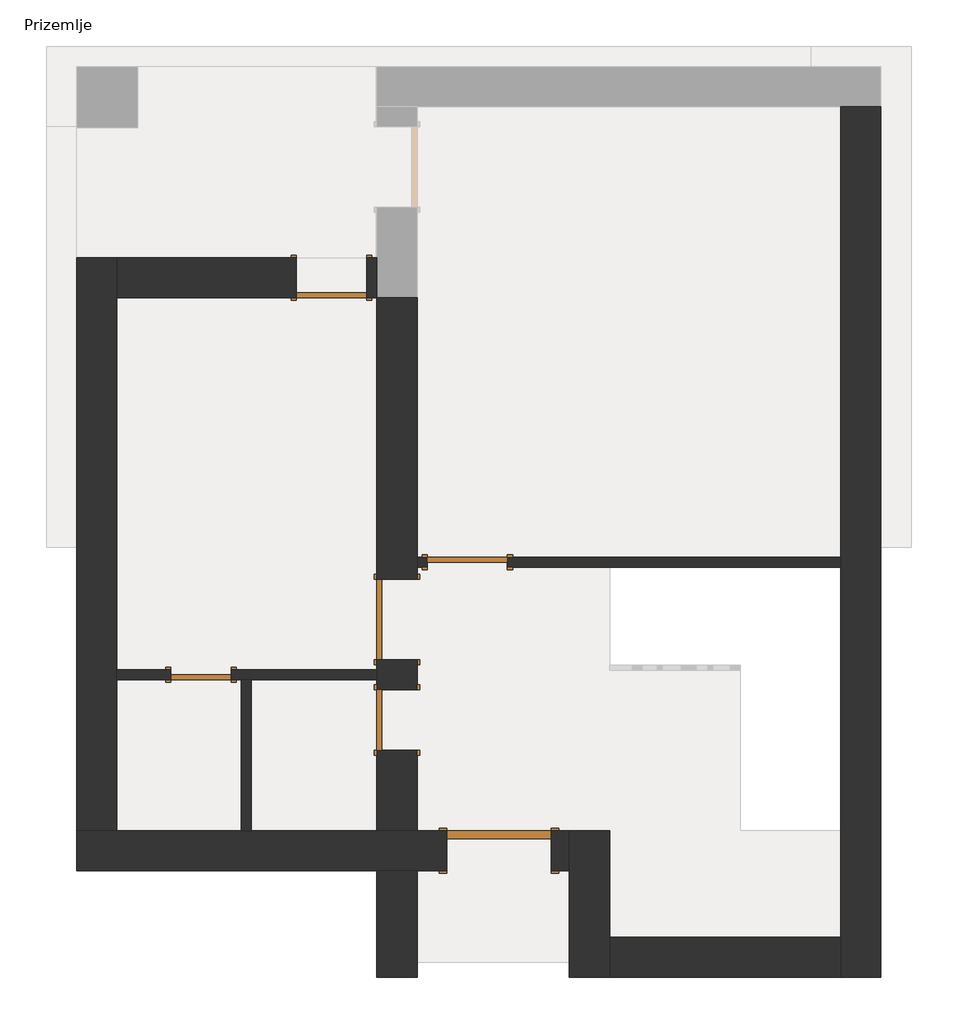
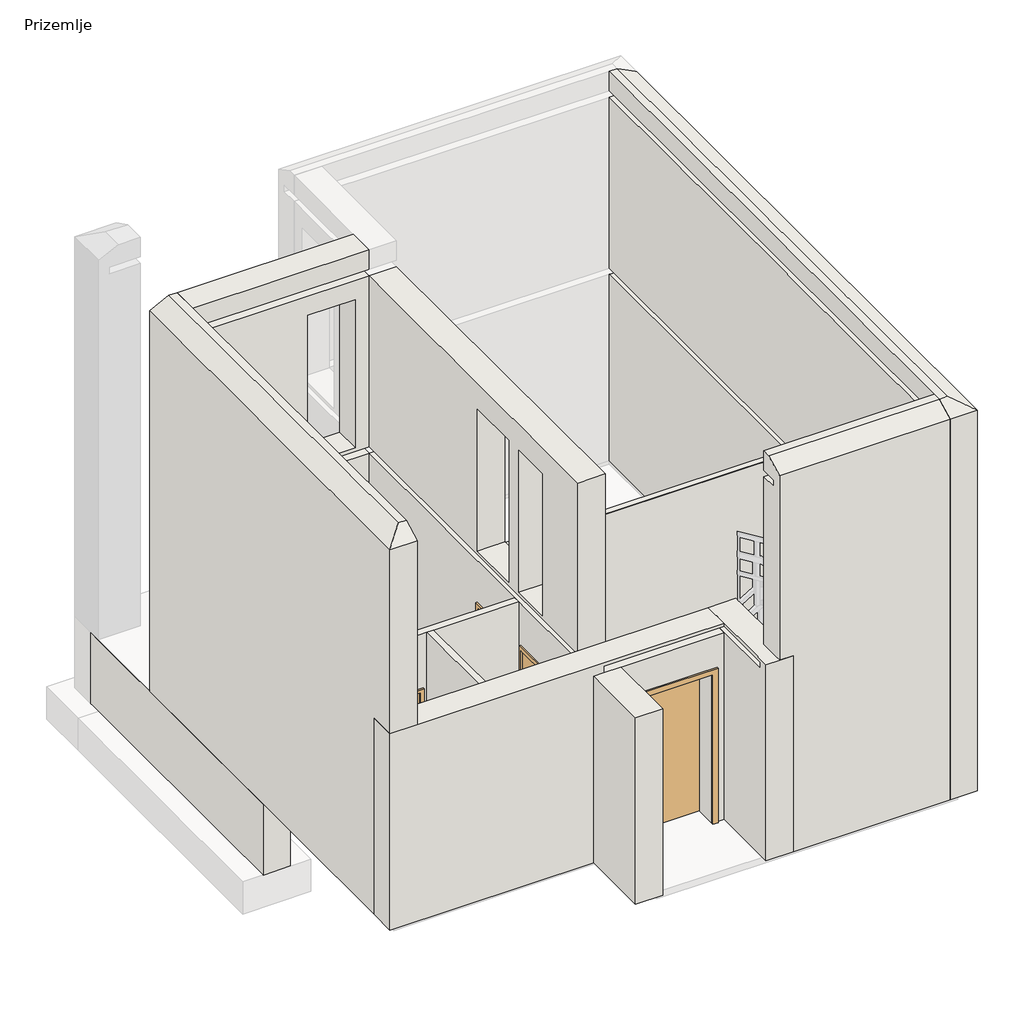
# One storey, part 1 of 2: 14 walls, 6 doors.
"""IFC4 building model written with IfcOpenShell, lengths in millimetres."""

import ifcopenshell
import ifcopenshell.guid

model = None  # the IFC model being written
_history = None  # IfcOwnerHistory: only IFC2X3 demands one
_inside = {}  # id of a spatial element -> (the spatial element, [elements in it])
_under = {}  # id of a project, library or spatial element -> (it, [spatial elements below it])
_declared = {}  # id of a project -> (the project, [libraries it declares])
_typed = {}  # id of a type object -> (the type object, [elements of that type])
_made_of = {}  # id of a material, layer set ... -> (it, [elements and type objects made of it])


def new_model(schema):
    """Start an empty IFC model of exactly this schema.

    Asked for "IFC4X3", IfcOpenShell would pick the latest addendum, in which some entities
    have other attributes; the version numbers below select the first issue.
    IFC2X3 requires an IfcOwnerHistory on every rooted entity: one is made here for all.
    """
    global model, _history
    if schema == "IFC4X3":
        model = ifcopenshell.file(schema_version=(4, 3, 0, 0))
    else:
        model = ifcopenshell.file(schema=schema)
    _inside.clear()
    _under.clear()
    _declared.clear()
    _typed.clear()
    _made_of.clear()
    _history = None
    if model.schema == "IFC2X3":
        org = make("IfcOrganization", Name="unknown")
        user = make(
            "IfcPersonAndOrganization",
            ThePerson=make("IfcPerson", FamilyName="unknown"),
            TheOrganization=org,
        )
        app = make(
            "IfcApplication",
            ApplicationDeveloper=org,
            Version="unknown",
            ApplicationFullName="unknown",
            ApplicationIdentifier="unknown",
        )
        _history = make(
            "IfcOwnerHistory",
            OwningUser=user,
            OwningApplication=app,
            ChangeAction="ADDED",
            CreationDate=0,
        )
    return model


def make(cls, **values):
    """One entity of the class cls with the attributes given. An attribute that is None is left unset."""
    return model.create_entity(
        cls, **{name: value for name, value in values.items() if value is not None}
    )


def rooted(cls, **values):
    """An entity with a GlobalId (a new one), such as an element, a storey or a relation."""
    return make(cls, GlobalId=ifcopenshell.guid.new(), OwnerHistory=_history, **values)


def si_unit(unit_type, name, prefix=None):
    """IfcSIUnit, for example si_unit("LENGTHUNIT", "METRE", prefix="MILLI")."""
    return make("IfcSIUnit", UnitType=unit_type, Prefix=prefix, Name=name)


def assignment(units):
    """IfcUnitAssignment: the units of a project."""
    return None if units is None else make("IfcUnitAssignment", Units=units)


def point(xyz):
    """IfcCartesianPoint."""
    return None if xyz is None else make("IfcCartesianPoint", Coordinates=xyz)


def direction(xyz):
    """IfcDirection."""
    return None if xyz is None else make("IfcDirection", DirectionRatios=xyz)


def frame(location, z_axis=None, x_axis=None):
    """IfcAxis2Placement3D, a coordinate frame: its origin and axes. An axis left out is left unset."""
    return make(
        "IfcAxis2Placement3D",
        Location=point(location),
        Axis=direction(z_axis),
        RefDirection=direction(x_axis),
    )


def origin():
    """The frame at (0, 0, 0) with its axes left unset."""
    return frame((0.0, 0.0, 0.0))


def origin_with_axes():
    """The frame at (0, 0, 0) with the z axis (0, 0, 1) and the x axis (1, 0, 0) written out."""
    return frame((0.0, 0.0, 0.0), z_axis=(0.0, 0.0, 1.0), x_axis=(1.0, 0.0, 0.0))


def place(relative_to, where):
    """IfcLocalPlacement: puts the frame where relative to a parent placement (None: the world)."""
    return make(
        "IfcLocalPlacement", PlacementRelTo=relative_to, RelativePlacement=where
    )


def context(
    kind, dimensions, precision=None, world=None, true_north=None, identifier=None
):
    """IfcGeometricRepresentationContext, for example the 3D "Model" context."""
    return make(
        "IfcGeometricRepresentationContext",
        ContextIdentifier=identifier,
        ContextType=kind,
        CoordinateSpaceDimension=dimensions,
        Precision=precision,
        WorldCoordinateSystem=world,
        TrueNorth=true_north,
    )


def project(units=None, contexts=None):
    """IfcProject with its units and contexts."""
    return rooted(
        "IfcProject",
        Name="project",
        RepresentationContexts=contexts,
        UnitsInContext=assignment(units),
    )


def spatial(cls, under=None, at=None, **own):
    """A site, building, storey or space (cls), placed at a placement, below another one or the project."""
    s = rooted(cls, ObjectPlacement=at, **own)
    if under is not None:
        _under.setdefault(under.id(), (under, []))[1].append(s)
    return s


def polyline(points):
    """IfcPolyline through the points."""
    return make("IfcPolyline", Points=[point(p) for p in points])


def outline(outer, holes=None, kind="AREA"):
    """IfcArbitraryClosedProfileDef: a profile drawn as a closed curve; with holes, ...WithVoids."""
    if holes is None:
        return make("IfcArbitraryClosedProfileDef", ProfileType=kind, OuterCurve=outer)
    return make(
        "IfcArbitraryProfileDefWithVoids",
        ProfileType=kind,
        OuterCurve=outer,
        InnerCurves=holes,
    )


def extrude(swept, where, along, depth):
    """IfcExtrudedAreaSolid: the profile swept, set in the frame where, extruded along a direction by depth."""
    return make(
        "IfcExtrudedAreaSolid",
        SweptArea=swept,
        Position=where,
        ExtrudedDirection=direction(along),
        Depth=depth,
    )


def faces_of(points, faces, orient=None, outer=None):
    """IfcFace entities. A face is a list of loops; a loop is a list of indices into points, from 0.

    orient and outer hold one flag for each loop. By default every Orientation is true, the
    first loop of a face is its IfcFaceOuterBound and the others are IfcFaceBound.
    """
    made = []
    for i, loops in enumerate(faces):
        bounds = []
        for j, loop in enumerate(loops):
            is_outer = j == 0 if outer is None else outer[i][j]
            bounds.append(
                make(
                    "IfcFaceOuterBound" if is_outer else "IfcFaceBound",
                    Bound=make("IfcPolyLoop", Polygon=[points[k] for k in loop]),
                    Orientation=True if orient is None else orient[i][j],
                )
            )
        made.append(make("IfcFace", Bounds=bounds))
    return made


def faceted_brep(points, faces, orient=None, outer=None, voids=None):
    """IfcFacetedBrep: a solid bounded by flat faces; with voids (closed shells), ...WithVoids."""
    shared = [point(p) for p in points]
    hull = make("IfcClosedShell", CfsFaces=faces_of(shared, faces, orient, outer))
    if voids is None:
        return make("IfcFacetedBrep", Outer=hull)
    return make(
        "IfcFacetedBrepWithVoids",
        Outer=hull,
        Voids=[
            make(cls, CfsFaces=faces_of(shared, fs, o, b)) for cls, fs, o, b in voids
        ],
    )


def shape(context_of_items, identifier, shape_type, items):
    """IfcShapeRepresentation: the items that make up one representation, for example the "Body"."""
    return make(
        "IfcShapeRepresentation",
        ContextOfItems=context_of_items,
        RepresentationIdentifier=identifier,
        RepresentationType=shape_type,
        Items=items,
    )


def source(mapping_origin, context_of_items, identifier, shape_type, items):
    """IfcRepresentationMap: a shape defined once, which mapped items show again and again."""
    return make(
        "IfcRepresentationMap",
        MappingOrigin=mapping_origin,
        MappedRepresentation=shape(context_of_items, identifier, shape_type, items),
    )


def transform(
    local_origin,
    x_axis=None,
    y_axis=None,
    z_axis=None,
    scale=None,
    scale2=None,
    scale3=None,
    uniform=True,
):
    """IfcCartesianTransformationOperator3D, or its non-uniform kind. x_axis, y_axis, z_axis: its Axis1, 2, 3."""
    if uniform:
        return make(
            "IfcCartesianTransformationOperator3D",
            Axis1=direction(x_axis),
            Axis2=direction(y_axis),
            LocalOrigin=point(local_origin),
            Scale=scale,
            Axis3=direction(z_axis),
        )
    return make(
        "IfcCartesianTransformationOperator3DnonUniform",
        Axis1=direction(x_axis),
        Axis2=direction(y_axis),
        LocalOrigin=point(local_origin),
        Scale=scale,
        Axis3=direction(z_axis),
        Scale2=scale2,
        Scale3=scale3,
    )


def mapped(mapping_source, mapping_target):
    """IfcMappedItem: shows the shape of a source again, moved by a transform."""
    return make(
        "IfcMappedItem", MappingSource=mapping_source, MappingTarget=mapping_target
    )


def made_of(thing, what):
    """Note that an element or type object is made of a material, layer set ...; save() writes the relation."""
    if what is not None:
        _made_of.setdefault(what.id(), (what, []))[1].append(thing)
    return thing


def element(
    cls,
    number,
    at=None,
    inside=None,
    cuts=None,
    type_object=None,
    material=None,
    context=None,
    identifier="Body",
    shape_type=None,
    held_by="IfcProductDefinitionShape",
    body=None,
    shapes=None,
    **own,
):
    """One element of the class cls, such as IfcWall. Its Tag is "e" and its number.

    at: its placement. inside: the storey or other place that contains it. cuts: it is an
    opening in that element (IfcRelVoidsElement). A single representation is given by context,
    identifier, shape_type and body (its items); several are given by shapes. held_by: the class
    of the entity that holds the representations. save() writes the other relations.
    """
    e = rooted(cls, Tag="e%d" % number, ObjectPlacement=at, **own)
    if body is not None:
        shapes = [shape(context, identifier, shape_type, body)]
    if shapes is not None:
        e.Representation = make(held_by, Representations=shapes)
    if inside is not None:
        _inside.setdefault(inside.id(), (inside, []))[1].append(e)
    if cuts is not None:
        rooted(
            "IfcRelVoidsElement", RelatingBuildingElement=cuts, RelatedOpeningElement=e
        )
    if type_object is not None:
        _typed.setdefault(type_object.id(), (type_object, []))[1].append(e)
    return made_of(e, material)


def aggregate(whole, parts):
    """IfcRelAggregates: a whole, such as a stair, and the parts it consists of."""
    return rooted("IfcRelAggregates", RelatingObject=whole, RelatedObjects=parts)


def save(model, path):
    """Write the relations noted so far, then the file.

    IfcRelAggregates (storeys below a building ...), IfcRelContainedInSpatialStructure (elements
    in a storey), IfcRelDefinesByType, IfcRelAssociatesMaterial and IfcRelDeclares: one each for
    every whole, place, type object, material and project.
    """
    for whole, parts in _under.values():
        aggregate(whole, parts)
    for where, things in _inside.values():
        rooted(
            "IfcRelContainedInSpatialStructure",
            RelatedElements=things,
            RelatingStructure=where,
        )
    for kind, things in _typed.values():
        rooted("IfcRelDefinesByType", RelatedObjects=things, RelatingType=kind)
    for what, things in _made_of.values():
        rooted("IfcRelAssociatesMaterial", RelatedObjects=things, RelatingMaterial=what)
    for by, libraries in _declared.values():
        rooted("IfcRelDeclares", RelatingContext=by, RelatedDefinitions=libraries)
    model.write(path)


def single_flush_100_x_230_1ff8bdef(model_context):
    return source(origin(), model_context, "Body", "SweptSolid", [
        extrude(outline(polyline([(2396.2, -596.2), (0.0, -596.2), (0.0, -520.0), (2320.0, -520.0), (2320.0, 520.0), (0.0, 520.0), (0.0, 596.2), (2396.2, 596.2), (2396.2, -596.2)])), frame((0.0, 200.0, 0.0), z_axis=(0.0, 1.0, 0.0), x_axis=(0.0, 0.0, 1.0)), (0.0, 0.0, 1.0), 25.4),
        extrude(outline(polyline([(2396.2, 596.2), (2396.2, -596.2), (0.0, -596.2), (0.0, -520.0), (2320.0, -520.0), (2320.0, 520.0), (0.0, 520.0), (0.0, 596.2), (2396.2, 596.2)])), frame((0.0, -225.4, 0.0), z_axis=(0.0, 1.0, 0.0), x_axis=(0.0, 0.0, 1.0)), (0.0, 0.0, 1.0), 25.4),
        extrude(outline(polyline([(520.0, 120.0), (-520.0, 120.0), (-520.0, 200.0), (520.0, 200.0), (520.0, 120.0)])), origin_with_axes(), (0.0, 0.0, 1.0), 2320.0),
    ])


def single_flush_60_x_200_d1557d36(model_context):
    return source(origin(), model_context, "Body", "SweptSolid", [
        extrude(outline(polyline([(2050.0, -350.0), (0.0, -350.0), (0.0, -300.0), (2000.0, -300.0), (2000.0, 300.0), (0.0, 300.0), (0.0, 350.0), (2050.0, 350.0), (2050.0, -350.0)])), frame((0.0, -75.4, 0.0), z_axis=(0.0, 1.0, 0.0), x_axis=(0.0, 0.0, 1.0)), (0.0, 0.0, 1.0), 25.4),
        extrude(outline(polyline([(2050.0, 350.0), (2050.0, -350.0), (0.0, -350.0), (0.0, -300.0), (2000.0, -300.0), (2000.0, 300.0), (0.0, 300.0), (0.0, 350.0), (2050.0, 350.0)])), frame((0.0, 50.0, 0.0), z_axis=(0.0, 1.0, 0.0), x_axis=(0.0, 0.0, 1.0)), (0.0, 0.0, 1.0), 25.4),
        extrude(outline(polyline([(300.0, 0.0), (300.0, -50.0), (-300.0, -50.0), (-300.0, 0.0), (300.0, 0.0)])), origin_with_axes(), (0.0, 0.0, 1.0), 2000.0),
    ])


def single_flush_60_x_220_1b958c1b(model_context):
    return source(origin(), model_context, "Body", "SweptSolid", [
        extrude(outline(polyline([(2250.0, -350.0), (0.0, -350.0), (0.0, -300.0), (2200.0, -300.0), (2200.0, 300.0), (0.0, 300.0), (0.0, 350.0), (2250.0, 350.0), (2250.0, -350.0)])), frame((0.0, 200.0, 0.0), z_axis=(0.0, 1.0, 0.0), x_axis=(0.0, 0.0, 1.0)), (0.0, 0.0, 1.0), 25.4),
        extrude(outline(polyline([(2250.0, 350.0), (2250.0, -350.0), (0.0, -350.0), (0.0, -300.0), (2200.0, -300.0), (2200.0, 300.0), (0.0, 300.0), (0.0, 350.0), (2250.0, 350.0)])), frame((0.0, -225.4, 0.0), z_axis=(0.0, 1.0, 0.0), x_axis=(0.0, 0.0, 1.0)), (0.0, 0.0, 1.0), 25.4),
        extrude(outline(polyline([(300.0, 150.0), (-300.0, 150.0), (-300.0, 200.0), (300.0, 200.0), (300.0, 150.0)])), origin_with_axes(), (0.0, 0.0, 1.0), 2200.0),
    ])


def single_flush_70_x_230_8ca075d4(model_context):
    return source(origin(), model_context, "Body", "SweptSolid", [
        extrude(outline(polyline([(2350.0, -400.0), (0.0, -400.0), (0.0, -350.0), (2300.0, -350.0), (2300.0, 350.0), (0.0, 350.0), (0.0, 400.0), (2350.0, 400.0), (2350.0, -400.0)])), frame((0.0, -225.4, 0.0), z_axis=(0.0, 1.0, 0.0), x_axis=(0.0, 0.0, 1.0)), (0.0, 0.0, 1.0), 25.4),
        extrude(outline(polyline([(2350.0, 400.0), (2350.0, -400.0), (0.0, -400.0), (0.0, -350.0), (2300.0, -350.0), (2300.0, 350.0), (0.0, 350.0), (0.0, 400.0), (2350.0, 400.0)])), frame((0.0, 200.0, 0.0), z_axis=(0.0, 1.0, 0.0), x_axis=(0.0, 0.0, 1.0)), (0.0, 0.0, 1.0), 25.4),
        extrude(outline(polyline([(350.0, -150.0), (350.0, -200.0), (-350.0, -200.0), (-350.0, -150.0), (350.0, -150.0)])), origin_with_axes(), (0.0, 0.0, 1.0), 2300.0),
    ])


def single_flush_80_x_220_85d69fce(model_context):
    return source(origin(), model_context, "Body", "SweptSolid", [
        extrude(outline(polyline([(2250.0, -450.0), (0.0, -450.0), (0.0, -400.0), (2200.0, -400.0), (2200.0, 400.0), (0.0, 400.0), (0.0, 450.0), (2250.0, 450.0), (2250.0, -450.0)])), frame((0.0, -225.4, 0.0), z_axis=(0.0, 1.0, 0.0), x_axis=(0.0, 0.0, 1.0)), (0.0, 0.0, 1.0), 25.4),
        extrude(outline(polyline([(2250.0, 450.0), (2250.0, -450.0), (0.0, -450.0), (0.0, -400.0), (2200.0, -400.0), (2200.0, 400.0), (0.0, 400.0), (0.0, 450.0), (2250.0, 450.0)])), frame((0.0, 200.0, 0.0), z_axis=(0.0, 1.0, 0.0), x_axis=(0.0, 0.0, 1.0)), (0.0, 0.0, 1.0), 25.4),
        extrude(outline(polyline([(400.0, -150.0), (400.0, -200.0), (-400.0, -200.0), (-400.0, -150.0), (400.0, -150.0)])), origin_with_axes(), (0.0, 0.0, 1.0), 2200.0),
    ])


def single_flush_80_x_220_b4daa720(model_context):
    return source(origin(), model_context, "Body", "SweptSolid", [
        extrude(outline(polyline([(2250.0, -450.0), (0.0, -450.0), (0.0, -400.0), (2200.0, -400.0), (2200.0, 400.0), (0.0, 400.0), (0.0, 450.0), (2250.0, 450.0), (2250.0, -450.0)])), frame((0.0, -75.4, 0.0), z_axis=(0.0, 1.0, 0.0), x_axis=(0.0, 0.0, 1.0)), (0.0, 0.0, 1.0), 25.4),
        extrude(outline(polyline([(2250.0, 450.0), (2250.0, -450.0), (0.0, -450.0), (0.0, -400.0), (2200.0, -400.0), (2200.0, 400.0), (0.0, 400.0), (0.0, 450.0), (2250.0, 450.0)])), frame((0.0, 50.0, 0.0), z_axis=(0.0, 1.0, 0.0), x_axis=(0.0, 0.0, 1.0)), (0.0, 0.0, 1.0), 25.4),
        extrude(outline(polyline([(400.0, 0.0), (400.0, -50.0), (-400.0, -50.0), (-400.0, 0.0), (400.0, 0.0)])), origin_with_axes(), (0.0, 0.0, 1.0), 2200.0),
    ])


model = new_model("IFC4")

# Units and contexts
model_context = context("Model", 3, world=origin())
ifc_project = project(units=[si_unit("LENGTHUNIT", "METRE", prefix="MILLI")], contexts=[model_context])

# Site, building, storey
site = spatial("IfcSite", under=ifc_project)
building = spatial("IfcBuilding", under=site)
storey = spatial("IfcBuildingStorey", under=building, Name="Prizemlje", Elevation=0.0)

# Doors
placement = place(None, origin())
single_flush_100_x_230_shape = single_flush_100_x_230_1ff8bdef(model_context)
element("IfcDoor", 1, ObjectType="Single-Flush : 100 X 230", at=placement, inside=storey, context=model_context, shape_type="MappedRepresentation", body=[
    mapped(single_flush_100_x_230_shape, transform((-11978.5733339, 8098.3783101, 0.0), x_axis=(1.0, 0.0, 0.0), y_axis=(0.0, 1.0, 0.0), z_axis=(0.0, 0.0, 1.0))),
])
single_flush_60_x_200_shape = single_flush_60_x_200_d1557d36(model_context)
element("IfcDoor", 2, ObjectType="Single-Flush : 60 x 200", at=placement, inside=storey, context=model_context, shape_type="MappedRepresentation", body=[
    mapped(single_flush_60_x_200_shape, transform((-14943.5733339, 9848.3783101, 0.0), x_axis=(1.0, 0.0, 0.0), y_axis=(0.0, 1.0, 0.0), z_axis=(0.0, 0.0, 1.0))),
])
single_flush_60_x_220_shape = single_flush_60_x_220_1b958c1b(model_context)
element("IfcDoor", 3, ObjectType="Single-Flush : 60 x 220", at=placement, inside=storey, context=model_context, shape_type="MappedRepresentation", body=[
    mapped(single_flush_60_x_220_shape, transform((-12993.5733339, 9398.3783101, 0.0), x_axis=(0.0, 1.0, 0.0), y_axis=(-1.0, 0.0, 0.0), z_axis=(0.0, 0.0, 1.0))),
])
single_flush_70_x_230_shape = single_flush_70_x_230_8ca075d4(model_context)
element("IfcDoor", 4, ObjectType="Single-Flush : 70 x 230", at=placement, inside=storey, context=model_context, shape_type="MappedRepresentation", body=[
    mapped(single_flush_70_x_230_shape, transform((-13643.5733339, 13798.3783101, 0.0), x_axis=(1.0, 0.0, 0.0), y_axis=(0.0, 1.0, 0.0), z_axis=(0.0, 0.0, 1.0))),
])
single_flush_80_x_220_shape = single_flush_80_x_220_85d69fce(model_context)
element("IfcDoor", 5, ObjectType="Single-Flush : 80 x 220", at=placement, inside=storey, context=model_context, shape_type="MappedRepresentation", body=[
    mapped(single_flush_80_x_220_shape, transform((-12993.5733339, 10398.3783101, 0.0), x_axis=(0.0, -1.0, 0.0), y_axis=(1.0, 0.0, 0.0), z_axis=(0.0, 0.0, 1.0))),
])
single_flush_80_x_220_2_shape = single_flush_80_x_220_b4daa720(model_context)
element("IfcDoor", 6, ObjectType="Single-Flush : 80 x 220", at=placement, inside=storey, context=model_context, shape_type="MappedRepresentation", body=[
    mapped(single_flush_80_x_220_2_shape, transform((-12293.5733339, 10968.3783101, 0.0), x_axis=(-1.0, 0.0, 0.0), y_axis=(0.0, -1.0, 0.0), z_axis=(0.0, 0.0, 1.0))),
])

# Walls
element("IfcWall", 7, at=placement, inside=storey, context=model_context, shape_type="Brep", body=[
    faceted_brep([(-8578.5733339, 15498.3783101, 0.0), (-8578.5733339, 11018.3783101, 0.0), (-8578.5733339, 10918.3783101, 0.0), (-8578.5733339, 7238.3783101, 0.0), (-8578.5733339, 6838.3783101, 0.0), (-8578.5733339, 6838.3783101, 5896.0), (-8578.5733339, 7120.7312513, 6040.0), (-8578.5733339, 7238.3783101, 6040.0), (-8578.5733339, 15498.3783101, 6040.0), (-8578.5733339, 15498.3783101, 5740.0), (-8578.5733339, 7238.3783101, 5740.0), (-8578.5733339, 6988.3783101, 5740.0), (-8578.5733339, 6988.3783101, 5640.0), (-8578.5733339, 7238.3783101, 5640.0), (-8578.5733339, 10918.3783101, 5640.0), (-8578.5733339, 11018.3783101, 5640.0), (-8578.5733339, 15498.3783101, 5640.0), (-8578.5733339, 15498.3783101, 2990.0), (-8578.5733339, 10933.3783101, 2990.0), (-8578.5733339, 10933.3783101, 2890.0), (-8578.5733339, 11018.3783101, 2890.0), (-8578.5733339, 15498.3783101, 2890.0), (-8178.5733339, 6838.3783101, 0.0), (-8178.5733339, 15498.3783101, 0.0), (-8178.5733339, 15498.3783101, 5896.0), (-8178.5733339, 6838.3783101, 5896.0), (-8460.926275, 7120.7312513, 6040.0), (-8460.926275, 15498.3783101, 6040.0), (-8313.5733339, 15498.3783101, 2890.0), (-8313.5733339, 15498.3783101, 2990.0), (-8328.5733339, 15498.3783101, 5640.0), (-8328.5733339, 15498.3783101, 5740.0), (-8313.5733339, 10933.3783101, 2890.0), (-8313.5733339, 10933.3783101, 2990.0), (-8328.5733339, 6988.3783101, 5640.0), (-8328.5733339, 6988.3783101, 5740.0)], [[[0, 1, 2, 3, 4, 5, 6, 7, 8, 9, 10, 11, 12, 13, 14, 15, 16, 17, 18, 19, 20, 21]], [[22, 23, 24, 25]], [[4, 3, 2, 1, 0, 23, 22]], [[8, 7, 6, 26, 27]], [[23, 0, 21, 28, 29, 17, 16, 30, 31, 9, 8, 27, 24]], [[4, 22, 25, 5]], [[19, 32, 28, 21, 20]], [[29, 33, 18, 17]], [[32, 33, 29, 28]], [[33, 32, 19, 18]], [[12, 34, 30, 16, 15, 14, 13]], [[31, 35, 11, 10, 9]], [[34, 35, 31, 30]], [[35, 34, 12, 11]], [[25, 26, 6, 5]], [[26, 25, 24, 27]]]),
])
element("IfcWall", 8, at=placement, inside=storey, context=model_context, shape_type="Brep", body=[
    faceted_brep([(-12793.5733339, 6838.3783101, 0.0), (-12793.5733339, 7898.3783101, 0.0), (-12793.5733339, 7898.3783101, 2890.0), (-12793.5733339, 6988.3783101, 2890.0), (-12793.5733339, 6838.3783101, 2890.0), (-13193.5733339, 6838.3783101, 0.0), (-13193.5733339, 6838.3783101, 2890.0), (-13193.5733339, 7898.3783101, 2890.0), (-13193.5733339, 7898.3783101, 0.0), (-13043.5733339, 7898.3783101, 2890.0)], [[[0, 1, 2, 3, 4]], [[5, 6, 7, 8]], [[1, 0, 5, 8]], [[4, 3, 2, 9, 7, 6]], [[0, 4, 6, 5]], [[2, 1, 8, 7, 9]]]),
])
element("IfcWall", 9, at=placement, inside=storey, context=model_context, shape_type="SweptSolid", body=[
    extrude(outline(polyline([(-13178.5733339, 13598.3783101), (-15778.5733339, 13598.3783101), (-15778.5733339, 13998.3783101), (-13178.5733339, 13998.3783101), (-13178.5733339, 13598.3783101)])), frame((0.0, 0.0, -1100.0), z_axis=(0.0, 0.0, 1.0), x_axis=(1.0, 0.0, 0.0)), (0.0, 0.0, 1.0), 950.0),
])
element("IfcWall", 10, at=placement, inside=storey, context=model_context, shape_type="Brep", body=[
    faceted_brep([(-10878.5733339, 6838.3783101, 0.0), (-10878.5733339, 7238.3783101, 0.0), (-10878.5733339, 8298.3783101, 0.0), (-10878.5733339, 8298.3783101, 2890.0), (-10878.5733339, 6988.3783101, 2890.0), (-10878.5733339, 6988.3783101, 2990.0), (-10878.5733339, 8298.3783101, 2990.0), (-10878.5733339, 8298.3783101, 3040.0), (-10878.5733339, 7238.3783101, 3040.0), (-10878.5733339, 6838.3783101, 3040.0), (-11278.5733339, 8298.3783101, 0.0), (-11278.5733339, 7898.3783101, 0.0), (-11278.5733339, 6838.3783101, 0.0), (-11278.5733339, 6838.3783101, 3010.0), (-11278.5733339, 6838.3783101, 3040.0), (-11278.5733339, 7238.3783101, 3040.0), (-11278.5733339, 7898.3783101, 3040.0), (-11278.5733339, 8298.3783101, 3040.0), (-11278.5733339, 8298.3783101, 2990.0), (-11278.5733339, 7898.3783101, 2990.0), (-11278.5733339, 7238.3783101, 2990.0), (-11278.5733339, 6988.3783101, 2990.0), (-11278.5733339, 6988.3783101, 2890.0), (-11278.5733339, 7898.3783101, 2890.0), (-11278.5733339, 8298.3783101, 2890.0), (-11078.5733339, 6838.3783101, 3040.0)], [[[0, 1, 2, 3, 4, 5, 6, 7, 8, 9]], [[10, 11, 12, 13, 14, 15, 16, 17, 18, 19, 20, 21, 22, 23, 24]], [[2, 1, 0, 12, 11, 10]], [[9, 8, 7, 17, 16, 15, 14, 25]], [[2, 10, 24, 3]], [[17, 7, 6, 18]], [[9, 25, 14, 13, 12, 0]], [[22, 4, 3, 24, 23]], [[5, 21, 20, 19, 18, 6]], [[4, 22, 21, 5]]]),
])
element("IfcWall", 11, at=placement, inside=storey, context=model_context, shape_type="Brep", body=[
    faceted_brep([(-16178.5733339, 8298.3783101, 3040.0), (-16043.5733339, 8298.3783101, 3040.0), (-15778.5733339, 8298.3783101, 3040.0), (-12793.5733339, 8298.3783101, 3040.0), (-11278.5733339, 8298.3783101, 3040.0), (-11278.5733339, 8298.3783101, 2990.0), (-12793.5733339, 8298.3783101, 2990.0), (-13193.5733339, 8298.3783101, 2990.0), (-16043.5733339, 8298.3783101, 2990.0), (-16043.5733339, 8298.3783101, 2940.0), (-16043.5733339, 8298.3783101, 2890.0), (-14543.5733339, 8298.3783101, 2890.0), (-14443.5733339, 8298.3783101, 2890.0), (-13193.5733339, 8298.3783101, 2890.0), (-12793.5733339, 8298.3783101, 2890.0), (-11278.5733339, 8298.3783101, 2890.0), (-11278.5733339, 8298.3783101, 0.0), (-11458.5733339, 8298.3783101, 0.0), (-11458.5733339, 8298.3783101, 2320.0), (-12498.5733339, 8298.3783101, 2320.0), (-12498.5733339, 8298.3783101, 0.0), (-12793.5733339, 8298.3783101, 0.0), (-13193.5733339, 8298.3783101, 0.0), (-14443.5733339, 8298.3783101, 0.0), (-14543.5733339, 8298.3783101, 0.0), (-15778.5733339, 8298.3783101, 0.0), (-16178.5733339, 8298.3783101, 0.0), (-11278.5733339, 7898.3783101, 3040.0), (-12793.5733339, 7898.3783101, 3040.0), (-15778.5733339, 7898.3783101, 3040.0), (-16178.5733339, 7898.3783101, 3040.0), (-16178.5733339, 7898.3783101, 0.0), (-13193.5733339, 7898.3783101, 0.0), (-12793.5733339, 7898.3783101, 0.0), (-12498.5733339, 7898.3783101, 0.0), (-12498.5733339, 7898.3783101, 2320.0), (-11458.5733339, 7898.3783101, 2320.0), (-11458.5733339, 7898.3783101, 0.0), (-11278.5733339, 7898.3783101, 0.0), (-11278.5733339, 7898.3783101, 2890.0), (-12793.5733339, 7898.3783101, 2890.0), (-13043.5733339, 7898.3783101, 2890.0), (-13043.5733339, 7898.3783101, 2990.0), (-11278.5733339, 7898.3783101, 2990.0), (-16043.5733339, 8033.3783101, 2890.0), (-13043.5733339, 8033.3783101, 2890.0), (-13043.5733339, 8033.3783101, 2990.0), (-16043.5733339, 8033.3783101, 2990.0)], [[[0, 1, 2, 3, 4, 5, 6, 7, 8, 9, 10, 11, 12, 13, 14, 15, 16, 17, 18, 19, 20, 21, 22, 23, 24, 25, 26]], [[27, 28, 29, 30, 31, 32, 33, 34, 35, 36, 37, 38, 39, 40, 41, 42, 43]], [[20, 34, 33, 32, 31, 26, 25, 24, 23, 22, 21]], [[16, 38, 37, 17]], [[4, 3, 2, 1, 0, 30, 29, 28, 27]], [[4, 27, 43, 5]], [[38, 16, 15, 39]], [[18, 17, 37, 36]], [[19, 18, 36, 35]], [[20, 19, 35, 34]], [[0, 26, 31, 30]], [[44, 45, 41, 40, 39, 15, 14, 13, 12, 11, 10]], [[46, 47, 8, 7, 6, 5, 43, 42]], [[45, 44, 47, 46]], [[47, 44, 10, 9, 8]], [[45, 46, 42, 41]]]),
])
element("IfcWall", 12, at=placement, inside=storey, context=model_context, shape_type="Brep", body=[
    faceted_brep([(-15778.5733339, 11118.3783101, -1100.0), (-15778.5733339, 11318.3783101, -1100.0), (-15778.5733339, 13598.3783101, -1100.0), (-15778.5733339, 13998.3783101, -1100.0), (-15778.5733339, 15498.3783101, -1100.0), (-15778.5733339, 15498.3783101, -150.0), (-15778.5733339, 15498.3783101, 0.0), (-15778.5733339, 15288.7783101, 0.0), (-15778.5733339, 11118.3783101, 0.0), (-15778.5733339, 11118.3783101, -50.0), (-15778.5733339, 15288.7783101, -50.0), (-15778.5733339, 15288.7783101, -150.0), (-15778.5733339, 13998.3783101, -150.0), (-15778.5733339, 13598.3783101, -150.0), (-15778.5733339, 11318.3783101, -150.0), (-15778.5733339, 11118.3783101, -150.0), (-16178.5733339, 15498.3783101, -1100.0), (-16178.5733339, 11318.3783101, -1100.0), (-16178.5733339, 11118.3783101, -1100.0), (-16178.5733339, 11118.3783101, 0.0), (-16178.5733339, 15288.7783101, 0.0), (-16178.5733339, 15498.3783101, 0.0), (-16038.5733339, 11118.3783101, -150.0), (-16038.5733339, 11118.3783101, -50.0), (-16038.5733339, 15288.7783101, -150.0), (-16038.5733339, 15288.7783101, -50.0)], [[[0, 1, 2, 3, 4, 5, 6, 7, 8, 9, 10, 11, 12, 13, 14, 15]], [[16, 17, 18, 19, 20, 21]], [[4, 3, 2, 1, 0, 18, 17, 16]], [[8, 7, 6, 21, 20, 19]], [[8, 19, 18, 0, 15, 22, 23, 9]], [[6, 5, 4, 16, 21]], [[11, 24, 22, 15, 14, 13, 12]], [[24, 25, 23, 22]], [[25, 24, 11, 10]], [[23, 25, 10, 9]]]),
])
element("IfcWall", 13, at=placement, inside=storey, context=model_context, shape_type="Brep", body=[
    faceted_brep([(-12778.5733339, 11318.3783101, -1100.0), (-12778.5733339, 15498.3783101, -1100.0), (-12778.5733339, 15498.3783101, -150.0), (-12778.5733339, 11318.3783101, -150.0), (-13178.5733339, 11318.3783101, -1100.0), (-13178.5733339, 11318.3783101, -150.0), (-13178.5733339, 13598.3783101, -150.0), (-13178.5733339, 13998.3783101, -150.0), (-13178.5733339, 15498.3783101, -150.0), (-13178.5733339, 15498.3783101, -1100.0), (-13178.5733339, 13998.3783101, -1100.0), (-13178.5733339, 13598.3783101, -1100.0)], [[[0, 1, 2, 3]], [[4, 5, 6, 7, 8, 9, 10, 11]], [[1, 0, 4, 11, 10, 9]], [[0, 3, 5, 4]], [[2, 1, 9, 8]], [[3, 2, 8, 7, 6, 5]]]),
])
element("IfcWall", 14, at=placement, inside=storey, context=model_context, shape_type="Brep", body=[
    faceted_brep([(-15778.5733339, 8298.3783101, 0.0), (-15778.5733339, 9798.3783101, 0.0), (-15778.5733339, 9898.3783101, 0.0), (-15778.5733339, 13598.3783101, 0.0), (-15778.5733339, 13998.3783101, 0.0), (-15778.5733339, 13998.3783101, 2890.0), (-15778.5733339, 13598.3783101, 2890.0), (-15778.5733339, 9898.3783101, 2890.0), (-15778.5733339, 9798.3783101, 2890.0), (-15778.5733339, 8298.3783101, 2890.0), (-15778.5733339, 8298.3783101, 2990.0), (-15778.5733339, 13598.3783101, 2990.0), (-15778.5733339, 13998.3783101, 2990.0), (-15778.5733339, 13998.3783101, 5640.0), (-15778.5733339, 13598.3783101, 5640.0), (-15778.5733339, 9998.3783101, 5640.0), (-15778.5733339, 9898.3783101, 5640.0), (-15778.5733339, 8298.3783101, 5640.0), (-15778.5733339, 8048.3783101, 5640.0), (-15778.5733339, 8048.3783101, 5740.0), (-15778.5733339, 8298.3783101, 5740.0), (-15778.5733339, 13598.3783101, 5740.0), (-15778.5733339, 13998.3783101, 5740.0), (-15778.5733339, 13998.3783101, 6040.0), (-15778.5733339, 13598.3783101, 6040.0), (-15778.5733339, 8298.3783101, 6040.0), (-15778.5733339, 8180.7312513, 6040.0), (-15778.5733339, 7898.3783101, 5896.0), (-15778.5733339, 7898.3783101, 3040.0), (-15778.5733339, 8298.3783101, 3040.0), (-16178.5733339, 13998.3783101, 0.0), (-16178.5733339, 8298.3783101, 0.0), (-16178.5733339, 8298.3783101, 3040.0), (-16178.5733339, 7898.3783101, 3040.0), (-16178.5733339, 7898.3783101, 5896.0), (-16178.5733339, 13998.3783101, 5896.0), (-15896.2203927, 13998.3783101, 6040.0), (-15896.2203927, 8180.7312513, 6040.0), (-16028.5733339, 13998.3783101, 5740.0), (-16028.5733339, 13998.3783101, 5640.0), (-16043.5733339, 13998.3783101, 2990.0), (-16043.5733339, 13998.3783101, 2890.0), (-16043.5733339, 8298.3783101, 2890.0), (-16043.5733339, 8298.3783101, 2990.0), (-16028.5733339, 8048.3783101, 5640.0), (-16028.5733339, 8048.3783101, 5740.0)], [[[0, 1, 2, 3, 4, 5, 6, 7, 8, 9]], [[10, 11, 12, 13, 14, 15, 16, 17, 18, 19, 20, 21, 22, 23, 24, 25, 26, 27, 28, 29]], [[30, 31, 32, 33, 34, 35]], [[4, 3, 2, 1, 0, 31, 30]], [[26, 25, 24, 23, 36, 37]], [[4, 30, 35, 36, 23, 22, 38, 39, 13, 12, 40, 41, 5]], [[9, 8, 7, 6, 5, 41, 42]], [[12, 11, 10, 43, 40]], [[43, 42, 41, 40]], [[33, 32, 29, 28]], [[31, 0, 9, 42, 43, 10, 29, 32]], [[33, 28, 27, 34]], [[44, 18, 17, 16, 15, 14, 13, 39]], [[19, 45, 38, 22, 21, 20]], [[44, 45, 19, 18]], [[45, 44, 39, 38]], [[37, 34, 27, 26]], [[34, 37, 36, 35]]]),
])
element("IfcWall", 15, at=placement, inside=storey, context=model_context, shape_type="Brep", body=[
    faceted_brep([(-10878.5733339, 6838.3783101, 0.0), (-8578.5733339, 6838.3783101, 0.0), (-8578.5733339, 6838.3783101, 5896.0), (-11078.5733339, 6838.3783101, 5896.0), (-11078.5733339, 6838.3783101, 3040.0), (-10878.5733339, 6838.3783101, 3040.0), (-8578.5733339, 7238.3783101, 0.0), (-10878.5733339, 7238.3783101, 0.0), (-10878.5733339, 7238.3783101, 3040.0), (-11078.5733339, 7238.3783101, 3040.0), (-11078.5733339, 7238.3783101, 5640.0), (-8578.5733339, 7238.3783101, 5640.0), (-11078.5733339, 7238.3783101, 6040.0), (-8578.5733339, 7238.3783101, 6040.0), (-8578.5733339, 7238.3783101, 5740.0), (-11078.5733339, 7238.3783101, 5740.0), (-11078.5733339, 7120.7312513, 6040.0), (-8578.5733339, 7120.7312513, 6040.0), (-8578.5733339, 6988.3783101, 5640.0), (-8578.5733339, 6988.3783101, 5740.0), (-11078.5733339, 6988.3783101, 5740.0), (-11078.5733339, 6988.3783101, 5640.0)], [[[0, 1, 2, 3, 4, 5]], [[6, 7, 8, 9, 10, 11]], [[12, 13, 14, 15]], [[1, 0, 7, 6]], [[13, 12, 16, 17]], [[1, 6, 11, 18, 19, 14, 13, 17, 2]], [[9, 4, 3, 16, 12, 15, 20, 21, 10]], [[4, 9, 8, 5]], [[7, 0, 5, 8]], [[21, 18, 11, 10]], [[19, 20, 15, 14]], [[18, 21, 20, 19]], [[3, 2, 17, 16]]]),
])
element("IfcWall", 16, at=placement, inside=storey, context=model_context, shape_type="Brep", body=[
    faceted_brep([(-12793.5733339, 9698.3783101, 2200.0), (-12793.5733339, 9698.3783101, 0.0), (-12793.5733339, 9998.3783101, 0.0), (-12793.5733339, 9998.3783101, 2200.0), (-12793.5733339, 10798.3783101, 2200.0), (-12793.5733339, 10798.3783101, 0.0), (-12793.5733339, 10918.3783101, 0.0), (-12793.5733339, 11018.3783101, 0.0), (-12793.5733339, 13598.3783101, 0.0), (-12793.5733339, 13598.3783101, 2890.0), (-12793.5733339, 11018.3783101, 2890.0), (-12793.5733339, 10918.3783101, 2890.0), (-12793.5733339, 8298.3783101, 2890.0), (-12793.5733339, 8298.3783101, 0.0), (-12793.5733339, 9098.3783101, 0.0), (-12793.5733339, 9098.3783101, 2200.0), (-13193.5733339, 9698.3783101, 0.0), (-13193.5733339, 9698.3783101, 2200.0), (-13193.5733339, 9098.3783101, 2200.0), (-13193.5733339, 9098.3783101, 0.0), (-13193.5733339, 8298.3783101, 0.0), (-13193.5733339, 8298.3783101, 2890.0), (-13193.5733339, 9798.3783101, 2890.0), (-13193.5733339, 9898.3783101, 2890.0), (-13193.5733339, 13598.3783101, 2890.0), (-13193.5733339, 13598.3783101, 0.0), (-13193.5733339, 10798.3783101, 0.0), (-13193.5733339, 10798.3783101, 2200.0), (-13193.5733339, 9998.3783101, 2200.0), (-13193.5733339, 9998.3783101, 0.0), (-13193.5733339, 9898.3783101, 0.0), (-13193.5733339, 9798.3783101, 0.0)], [[[0, 1, 2, 3, 4, 5, 6, 7, 8, 9, 10, 11, 12, 13, 14, 15]], [[16, 17, 18, 19, 20, 21, 22, 23, 24, 25, 26, 27, 28, 29, 30, 31]], [[25, 8, 7, 6, 5, 26]], [[1, 16, 31, 30, 29, 2]], [[19, 14, 13, 20]], [[8, 25, 24, 9]], [[13, 12, 21, 20]], [[17, 16, 1, 0]], [[18, 17, 0, 15]], [[19, 18, 15, 14]], [[3, 2, 29, 28]], [[4, 3, 28, 27]], [[5, 4, 27, 26]], [[9, 24, 23, 22, 21, 12, 11, 10]]]),
    faceted_brep([(-12793.5733339, 8298.3783101, 5640.0), (-12793.5733339, 8298.3783101, 3040.0), (-12793.5733339, 8298.3783101, 2990.0), (-12793.5733339, 13598.3783101, 2990.0), (-12793.5733339, 13598.3783101, 5640.0), (-12793.5733339, 11018.3783101, 5640.0), (-12793.5733339, 10918.3783101, 5640.0), (-12793.5733339, 10848.3783101, 3040.0), (-12793.5733339, 10048.3783101, 3040.0), (-12793.5733339, 10048.3783101, 5240.0), (-12793.5733339, 10848.3783101, 5240.0), (-12793.5733339, 9798.3783101, 3040.0), (-12793.5733339, 9198.3783101, 3040.0), (-12793.5733339, 9198.3783101, 5240.0), (-12793.5733339, 9798.3783101, 5240.0), (-13193.5733339, 8298.3783101, 2990.0), (-13193.5733339, 8298.3783101, 5640.0), (-13193.5733339, 9898.3783101, 5640.0), (-13193.5733339, 9998.3783101, 5640.0), (-13193.5733339, 13598.3783101, 5640.0), (-13193.5733339, 13598.3783101, 2990.0), (-13193.5733339, 10048.3783101, 3040.0), (-13193.5733339, 10848.3783101, 3040.0), (-13193.5733339, 10848.3783101, 5240.0), (-13193.5733339, 10048.3783101, 5240.0), (-13193.5733339, 9198.3783101, 3040.0), (-13193.5733339, 9798.3783101, 3040.0), (-13193.5733339, 9798.3783101, 5240.0), (-13193.5733339, 9198.3783101, 5240.0)], [[[0, 1, 2, 3, 4, 5, 6], [7, 8, 9, 10], [11, 12, 13, 14]], [[15, 16, 17, 18, 19, 20], [21, 22, 23, 24], [25, 26, 27, 28]], [[19, 4, 3, 20]], [[0, 16, 15, 2, 1]], [[8, 7, 22, 21]], [[9, 8, 21, 24]], [[10, 9, 24, 23]], [[7, 10, 23, 22]], [[26, 25, 12, 11]], [[27, 26, 11, 14]], [[28, 27, 14, 13]], [[25, 28, 13, 12]], [[0, 6, 5, 4, 19, 18, 17, 16]], [[20, 3, 2, 15]]]),
])
element("IfcWall", 17, at=placement, inside=storey, context=model_context, shape_type="SweptSolid", body=[
    extrude(outline(polyline([(-15778.5733339, 13998.3783101), (-13193.5733339, 13998.3783101), (-13193.5733339, 13598.3783101), (-15778.5733339, 13598.3783101), (-15778.5733339, 13998.3783101)])), frame((0.0, 0.0, 5740.0), z_axis=(0.0, 0.0, 1.0), x_axis=(1.0, 0.0, 0.0)), (0.0, 0.0, 1.0), 300.0),
    extrude(outline(polyline([(2890.0, -15778.5733339), (0.0, -15778.5733339), (0.0, -13993.5733339), (2300.0, -13993.5733339), (2300.0, -13293.5733339), (0.0, -13293.5733339), (0.0, -13193.5733339), (2890.0, -13193.5733339), (2890.0, -15778.5733339)])), frame((0.0, 13598.3783101, 0.0), z_axis=(0.0, 1.0, 0.0), x_axis=(0.0, 0.0, 1.0)), (0.0, 0.0, 1.0), 400.0),
    extrude(outline(polyline([(2990.0, -15778.5733339), (2990.0, -13193.5733339), (5640.0, -13193.5733339), (5640.0, -15778.5733339), (2990.0, -15778.5733339)]), holes=[polyline([(3040.0, -13393.5733339), (3040.0, -14093.5733339), (5340.0, -14093.5733339), (5340.0, -13393.5733339), (3040.0, -13393.5733339)])]), frame((0.0, 13598.3783101, 0.0), z_axis=(0.0, 1.0, 0.0), x_axis=(0.0, 0.0, 1.0)), (0.0, 0.0, 1.0), 400.0),
])
element("IfcWall", 18, at=placement, inside=storey, context=model_context, shape_type="Brep", body=[
    faceted_brep([(-14643.5733339, 9798.3783101, 2000.0), (-14643.5733339, 9798.3783101, 0.0), (-14543.5733339, 9798.3783101, 0.0), (-14443.5733339, 9798.3783101, 0.0), (-13193.5733339, 9798.3783101, 0.0), (-13193.5733339, 9798.3783101, 2890.0), (-14443.5733339, 9798.3783101, 2890.0), (-14543.5733339, 9798.3783101, 2890.0), (-15778.5733339, 9798.3783101, 2890.0), (-15778.5733339, 9798.3783101, 0.0), (-15243.5733339, 9798.3783101, 0.0), (-15243.5733339, 9798.3783101, 2000.0), (-13193.5733339, 9898.3783101, 0.0), (-14643.5733339, 9898.3783101, 0.0), (-14643.5733339, 9898.3783101, 2000.0), (-15243.5733339, 9898.3783101, 2000.0), (-15243.5733339, 9898.3783101, 0.0), (-15778.5733339, 9898.3783101, 0.0), (-15778.5733339, 9898.3783101, 2890.0), (-13193.5733339, 9898.3783101, 2890.0)], [[[0, 1, 2, 3, 4, 5, 6, 7, 8, 9, 10, 11]], [[12, 13, 14, 15, 16, 17, 18, 19]], [[10, 9, 17, 16]], [[4, 3, 2, 1, 13, 12]], [[9, 8, 18, 17]], [[5, 4, 12, 19]], [[8, 7, 6, 5, 19, 18]], [[14, 13, 1, 0]], [[15, 14, 0, 11]], [[16, 15, 11, 10]]]),
])
element("IfcWall", 19, at=placement, inside=storey, context=model_context, shape_type="SweptSolid", body=[
    extrude(outline(polyline([(-14543.5733339, 8298.3783101), (-14543.5733339, 9798.3783101), (-14443.5733339, 9798.3783101), (-14443.5733339, 8298.3783101), (-14543.5733339, 8298.3783101)])), origin_with_axes(), (0.0, 0.0, 1.0), 2890.0),
])
element("IfcWall", 20, at=placement, inside=storey, context=model_context, shape_type="Brep", body=[
    faceted_brep([(-12793.5733339, 10918.3783101, 0.0), (-12693.5733339, 10918.3783101, 0.0), (-12693.5733339, 10918.3783101, 2200.0), (-11893.5733339, 10918.3783101, 2200.0), (-11893.5733339, 10918.3783101, 0.0), (-8578.5733339, 10918.3783101, 0.0), (-8578.5733339, 10918.3783101, 2890.0), (-12793.5733339, 10918.3783101, 2890.0), (-12693.5733339, 11018.3783101, 2200.0), (-12693.5733339, 11018.3783101, 0.0), (-12793.5733339, 11018.3783101, 0.0), (-12793.5733339, 11018.3783101, 2890.0), (-8578.5733339, 11018.3783101, 2890.0), (-8578.5733339, 11018.3783101, 0.0), (-11893.5733339, 11018.3783101, 0.0), (-11893.5733339, 11018.3783101, 2200.0), (-8578.5733339, 10933.3783101, 2890.0), (-12793.5733339, 10933.3783101, 2890.0), (-10878.5733339, 10933.3783101, 2890.0)], [[[0, 1, 2, 3, 4, 5, 6, 7]], [[8, 9, 10, 11, 12, 13, 14, 15]], [[14, 13, 5, 4]], [[10, 9, 1, 0]], [[6, 5, 13, 12, 16]], [[0, 7, 17, 11, 10]], [[7, 6, 16, 18, 17]], [[16, 12, 11, 17, 18]], [[2, 1, 9, 8]], [[3, 2, 8, 15]], [[4, 3, 15, 14]]]),
])

save(model, "model.ifc")
